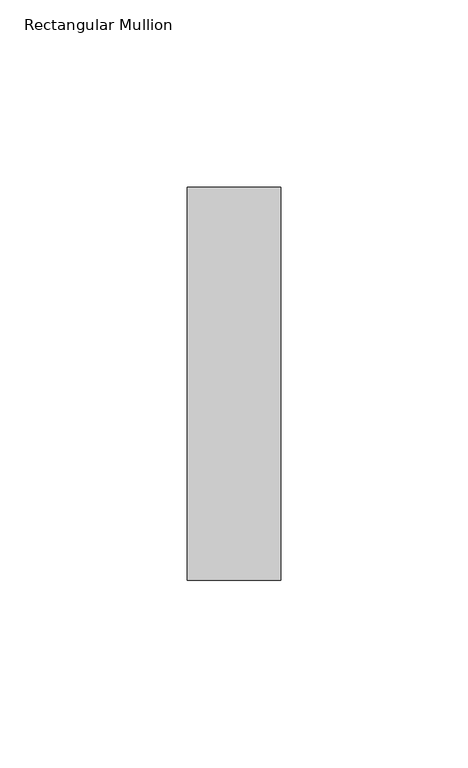
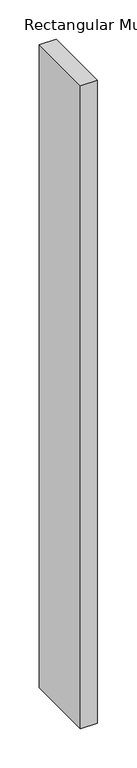
"""IFC4 building model written with IfcOpenShell, lengths in millimetres: member geometry, Rectangular Mullion."""

from ifc_helpers import new_model, si_unit, frame, origin, place, context, project, spatial, polyline, outline, extrude, source, transform, mapped, element, save


def rectangular_mullion_82904b5a(model_context):
    return source(origin(), model_context, "Body", "SweptSolid", [
        extrude(outline(polyline([(0.0, 52.5), (0.0, -52.5), (-25.0, -52.5), (-25.0, 52.5), (0.0, 52.5)])), frame((0.0, 0.0, -1000.0), z_axis=(0.0, 0.0, 1.0), x_axis=(1.0, 0.0, 0.0)), (0.0, 0.0, 1.0), 1000.0),
    ])


if __name__ == "__main__":
    model = new_model("IFC4")
    model_context = context("Model", 3, world=origin())
    ifc_project = project(units=[si_unit("LENGTHUNIT", "METRE", prefix="MILLI")], contexts=[model_context])
    site = spatial("IfcSite", under=ifc_project)
    building = spatial("IfcBuilding", under=site)
    placement = place(None, origin())
    rectangular_mullion_shape = rectangular_mullion_82904b5a(model_context)
    element("IfcMember", 1, ObjectType="Rectangular Mullion", at=placement, inside=building, context=model_context, shape_type="MappedRepresentation", body=[
        mapped(rectangular_mullion_shape, transform((0.0, 0.0, 0.0), x_axis=(1.0, 0.0, 0.0), y_axis=(0.0, 1.0, 0.0), z_axis=(0.0, 0.0, 1.0))),
    ])
    save(model, "model.ifc")
